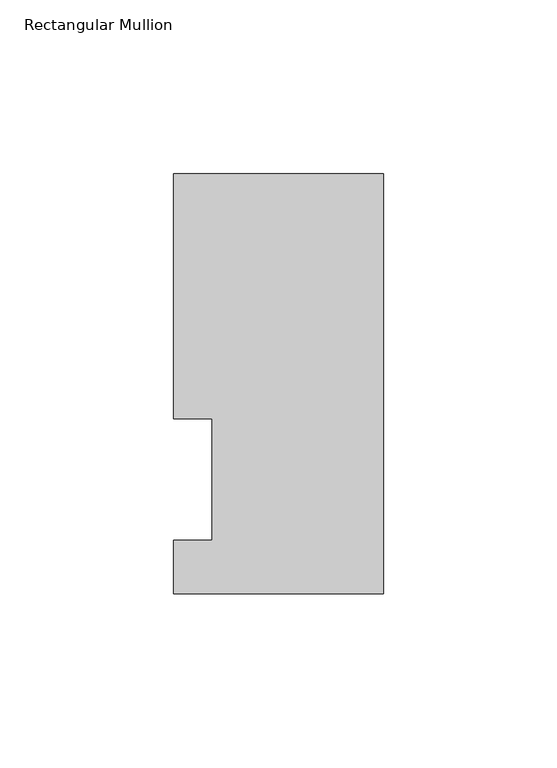
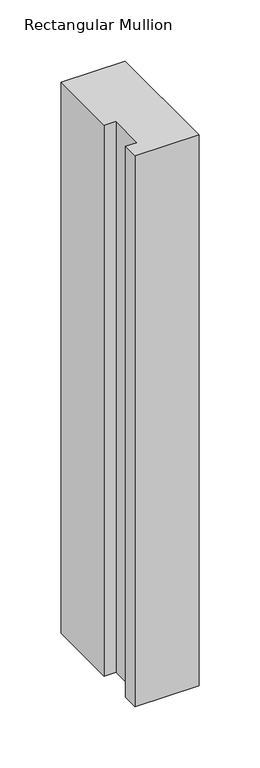
"""IFC4 building model written with IfcOpenShell, lengths in millimetres: member geometry, Rectangular Mullion."""

from ifc_helpers import new_model, si_unit, frame, origin, place, context, project, spatial, polyline, outline, extrude, source, transform, mapped, element, save


def rectangular_mullion_80adef6f(model_context):
    return source(origin(), model_context, "Body", "SweptSolid", [
        extrude(outline(polyline([(0.0, -3.3164122), (-60.3251015, -3.3164122), (-60.3251015, 12.1267878), (-49.2253015, 12.1267878), (-49.2253015, 47.0517878), (-60.3251015, 47.0517878), (-60.3251015, 117.4859878), (0.0, 117.4859878), (0.0, -3.3164122)])), frame((0.0, 0.0, -549.275), z_axis=(0.0, 0.0, 1.0), x_axis=(1.0, 0.0, 0.0)), (0.0, 0.0, 1.0), 549.275),
    ])


if __name__ == "__main__":
    model = new_model("IFC4")
    model_context = context("Model", 3, world=origin())
    ifc_project = project(units=[si_unit("LENGTHUNIT", "METRE", prefix="MILLI")], contexts=[model_context])
    site = spatial("IfcSite", under=ifc_project)
    building = spatial("IfcBuilding", under=site)
    placement = place(None, origin())
    rectangular_mullion_shape = rectangular_mullion_80adef6f(model_context)
    element("IfcMember", 1, ObjectType="Rectangular Mullion", at=placement, inside=building, context=model_context, shape_type="MappedRepresentation", body=[
        mapped(rectangular_mullion_shape, transform((0.0, 0.0, 0.0), x_axis=(1.0, 0.0, 0.0), y_axis=(0.0, 1.0, 0.0), z_axis=(0.0, 0.0, 1.0))),
    ])
    save(model, "model.ifc")
